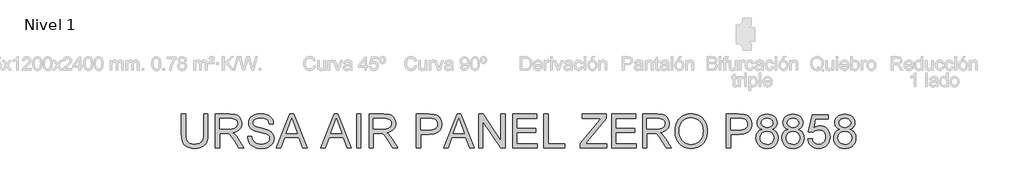
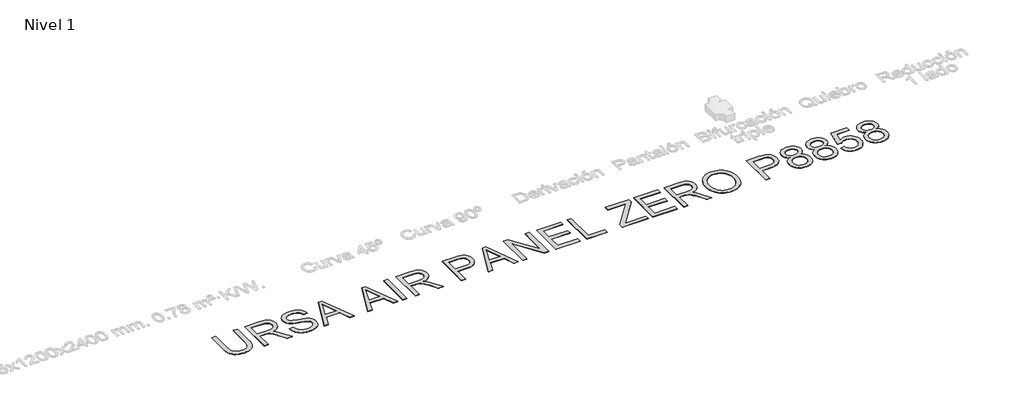
# One storey, part 4 of 8: 1 proxy.
"""IFC4 building model written with IfcOpenShell, lengths in millimetres."""

from ifc_helpers import new_model, si_unit, origin, origin_with_axes, place, context, project, spatial, polyline, outline, extrude, element, save

model = new_model("IFC4")

# Units and contexts
model_context = context("Model", 3, world=origin())
ifc_project = project(units=[si_unit("LENGTHUNIT", "METRE", prefix="MILLI")], contexts=[model_context])

# Site, building, storey
site = spatial("IfcSite", under=ifc_project)
building = spatial("IfcBuilding", under=site)
storey = spatial("IfcBuildingStorey", under=building, Name="Nivel 1", Elevation=0.0)

# Proxy
placement = place(None, origin())
element("IfcBuildingElementProxy", 1, Name="Texto de modelo 2", ObjectType="Texto de modelo 2", at=placement, inside=storey, context=model_context, shape_type="SweptSolid", body=[
    extrude(outline(polyline([(-16129.8914984, -5621.7490961), (-16004.3211107, -5621.7490961), (-16004.3211107, -6201.2858659), (-16006.4517606, -6273.0458476), (-16012.8437102, -6337.0036653), (-16023.4969597, -6393.159319), (-16038.4115089, -6441.5128087), (-16058.8749449, -6483.8958802), (-16086.1748546, -6522.1402793), (-16120.3112381, -6556.246006), (-16161.2840953, -6586.2130602), (-16209.1394115, -6610.6235634), (-16263.9231719, -6628.0596371), (-16325.6353766, -6638.5212813), (-16394.2760256, -6642.0084961), (-16461.2228845, -6638.9734696), (-16521.7777937, -6629.8683902), (-16575.9407533, -6614.6932579), (-16623.7117632, -6593.4480727), (-16665.0984877, -6566.4470671), (-16700.1085909, -6534.0044737), (-16728.7420728, -6496.1202924), (-16750.9989335, -6452.7945232), (-16767.6839149, -6402.5403099), (-16779.6017587, -6343.8707958), (-16786.752465, -6276.7859812), (-16789.1360337, -6201.2858659), (-16789.1360337, -5621.7490961), (-16663.565646, -5621.7490961), (-16663.565646, -6196.8712819), (-16662.017476, -6257.5794753), (-16657.3729658, -6309.7190839), (-16649.6321155, -6353.2901078), (-16638.794925, -6388.2925467), (-16624.1869441, -6417.2555897), (-16605.1337225, -6442.7084252), (-16581.63526, -6464.6510534), (-16553.6915568, -6483.0834742), (-16521.8391074, -6497.6761266), (-16486.6144063, -6508.0994498), (-16448.0174537, -6514.3534438), (-16406.0482494, -6516.4381084), (-16336.8404491, -6512.3147644), (-16278.3318834, -6499.9447323), (-16230.5225525, -6479.3280121), (-16210.6301, -6465.927144), (-16193.4124562, -6450.4646039), (-16178.5247317, -6432.0705042), (-16165.6220371, -6409.8749571), (-16145.7717378, -6354.0795212), (-16133.8615582, -6283.0782961), (-16129.8914984, -6196.8712819), (-16129.8914984, -5621.7490961)])), origin_with_axes(), (0.0, 0.0, 1.0), 10.0),
    extrude(outline(polyline([(-15784.5729322, -6626.3121976), (-15784.5729322, -5621.7490961), (-15351.6984512, -5621.7490961), (-15289.5647151, -5623.4428862), (-15235.3557702, -5628.5242562), (-15189.0716167, -5636.9932063), (-15150.7122545, -5648.8497364), (-15118.047399, -5665.0058874), (-15088.8467657, -5686.3737), (-15063.1103544, -5712.9531741), (-15040.8381653, -5744.7443099), (-15022.865597, -5780.0379888), (-15010.0280482, -5817.1250924), (-15002.3255189, -5856.0056208), (-14999.7580092, -5896.6795739), (-15004.0116447, -5948.2750237), (-15016.7725514, -5995.6398306), (-15038.0407293, -6038.7739945), (-15067.8161783, -6077.6775155), (-15106.4821088, -6111.1087918), (-15154.4217313, -6137.8262217), (-15211.6350458, -6157.8298052), (-15278.1220522, -6171.1195423), (-15236.7353277, -6198.1588689), (-15206.7529451, -6224.8303136), (-15155.3107795, -6285.8374111), (-15104.9722598, -6354.0795212), (-14937.4633247, -6626.3121976), (-15083.3898494, -6626.3121976), (-15214.110585, -6418.0909884), (-15266.411142, -6338.6284774), (-15308.5336305, -6280.2578675), (-15343.6357042, -6240.0667595), (-15374.8750169, -6215.1427544), (-15404.4588607, -6200.519445), (-15434.5945275, -6191.2304247), (-15507.4351625, -6186.8158407), (-15659.0025445, -6186.8158407), (-15659.0025445, -6626.3121976), (-15784.5729322, -6626.3121976)]), holes=[polyline([(-15659.0025445, -6061.245453), (-15377.9407002, -6061.245453), (-15297.2212591, -6056.8002123), (-15234.5893494, -6043.4644899), (-15209.4047612, -6033.2404362), (-15187.4391404, -6020.3492379), (-15168.692487, -6004.7908952), (-15153.1648012, -5986.565408), (-15140.9863743, -5966.5694887), (-15132.2874979, -5945.6998497), (-15127.0681721, -5923.956491), (-15125.3283969, -5901.3394125), (-15128.646999, -5869.22638), (-15138.6028055, -5840.0870603), (-15155.1958163, -5813.9214534), (-15178.4260315, -5790.7295593), (-15208.8299456, -5771.7376513), (-15246.9440531, -5758.1720027), (-15292.7683541, -5750.0326135), (-15346.3028486, -5747.3194838), (-15659.0025445, -5747.3194838), (-15659.0025445, -6061.245453)])]), origin_with_axes(), (0.0, 0.0, 1.0), 10.0),
    extrude(outline(polyline([(-14827.0987261, -6280.9936315), (-14701.5283384, -6280.9936315), (-14695.7801822, -6317.5442406), (-14687.1196269, -6350.6766127), (-14675.5466725, -6380.3907481), (-14661.0613189, -6406.6866465), (-14642.9278023, -6430.0931385), (-14620.4103585, -6451.1390543), (-14593.5089876, -6469.8243939), (-14562.2236896, -6486.1491575), (-14527.7040957, -6499.4005735), (-14491.0998372, -6508.8658707), (-14452.410914, -6514.545049), (-14411.6373262, -6516.4381084), (-14341.6784335, -6510.7052806), (-14309.9639398, -6503.5392459), (-14280.4260813, -6493.5067974), (-14253.7929577, -6480.9681527), (-14230.7926688, -6466.2835297), (-14211.4252145, -6449.4529284), (-14195.690595, -6430.4763489), (-14183.5121682, -6410.1738613), (-14174.8132918, -6389.3655359), (-14169.593966, -6368.0513728), (-14167.8541907, -6346.231372), (-14173.0658523, -6304.200854), (-14188.7008371, -6267.872507), (-14201.8526185, -6251.7546771), (-14220.4613161, -6236.8784489), (-14244.5269299, -6223.2438225), (-14274.04946, -6210.8507977), (-14340.3601896, -6191.1384542), (-14456.8868116, -6162.903511), (-14576.9083125, -6131.173689), (-14620.7092626, -6115.8835935), (-14653.703679, -6100.9767085), (-14687.2345901, -6080.973125), (-14716.2129614, -6058.7315927), (-14740.638793, -6034.2521116), (-14760.512085, -6007.5346817), (-14775.9094793, -5978.8552145), (-14786.9076181, -5948.4896215), (-14793.5065014, -5916.4379027), (-14795.7061292, -5882.700058), (-14792.9853353, -5845.3063861), (-14784.8229535, -5809.1543158), (-14771.2189839, -5774.2438473), (-14752.1734264, -5740.5749806), (-14727.9008789, -5709.5196088), (-14698.6159393, -5682.4496253), (-14664.3186074, -5659.3650301), (-14625.0088834, -5640.2658232), (-14582.0126752, -5625.2976245), (-14536.6558909, -5614.6060541), (-14488.9385305, -5608.1911118), (-14438.8605939, -5606.0527977), (-14384.2301176, -5608.2907465), (-14332.9105792, -5615.0045929), (-14284.9019789, -5626.1943369), (-14240.2043165, -5641.8599785), (-14199.6453265, -5661.863562), (-14164.0527435, -5686.0671316), (-14133.4265674, -5714.4706873), (-14107.7667982, -5747.0742292), (-14087.2727054, -5782.9273953), (-14072.1435583, -5821.0798239), (-14062.379357, -5861.5315149), (-14057.9801015, -5904.2824684), (-14183.5504892, -5904.2824684), (-14191.9504614, -5864.2139878), (-14206.6044276, -5829.3571687), (-14227.5123876, -5799.7120113), (-14254.6743416, -5775.2785155), (-14288.5961272, -5756.1793085), (-14329.7835823, -5742.5370179), (-14378.2367067, -5734.3516435), (-14433.9555006, -5731.6231854), (-14491.4523908, -5734.3209867), (-14540.5799655, -5742.4143906), (-14581.3382249, -5755.903397), (-14613.7271689, -5774.7880061), (-14638.4059194, -5797.4893909), (-14656.0335983, -5822.4287245), (-14666.6102057, -5849.6060069), (-14670.1357415, -5879.0212381), (-14667.6372096, -5904.3284537), (-14660.141614, -5927.2750931), (-14647.6489545, -5947.8611564), (-14630.1592313, -5966.0866436), (-14602.6293954, -5983.3464406), (-14559.2806336, -6000.7901785), (-14500.1129461, -6018.4178574), (-14425.1263327, -6036.2294774), (-14286.6800752, -6069.8906799), (-14237.9663677, -6085.1117975), (-14202.9256076, -6099.2599259), (-14164.4282897, -6120.7043805), (-14131.3419027, -6144.8159796), (-14103.6664468, -6171.5947232), (-14081.4019219, -6201.0406112), (-14064.2877449, -6233.0003595), (-14052.0633328, -6267.320684), (-14044.7286855, -6304.0015846), (-14042.2838031, -6343.0430613), (-14045.0965675, -6382.3221285), (-14053.5348607, -6420.4515645), (-14067.5986829, -6457.4313692), (-14087.2880338, -6493.2615427), (-14112.2580242, -6526.5548633), (-14142.1637647, -6555.9241092), (-14177.0052554, -6581.3692806), (-14216.7824961, -6602.8903773), (-14260.3381915, -6620.0045543), (-14306.5150461, -6632.2289664), (-14355.3130599, -6639.5636137), (-14406.7322329, -6642.0084961), (-14470.9659621, -6639.3720085), (-14529.7581035, -6631.4625456), (-14583.108657, -6618.2801074), (-14631.0176227, -6599.824694), (-14673.7762404, -6576.0656485), (-14711.6757501, -6546.972314), (-14744.7161518, -6512.5446906), (-14772.8974455, -6472.7827783), (-14795.5988303, -6428.974164), (-14812.1995053, -6382.4064348), (-14822.6994706, -6333.0795906), (-14827.0987261, -6280.9936315)])), origin_with_axes(), (0.0, 0.0, 1.0), 10.0),
    extrude(outline(polyline([(-13970.914696, -6626.3121976), (-13569.9233213, -5621.7490961), (-13462.992288, -5621.7490961), (-13062.0009132, -6626.3121976), (-13194.6836862, -6626.3121976), (-13309.7081233, -6312.3862284), (-13723.4527406, -6312.3862284), (-13838.2319231, -6626.3121976), (-13970.914696, -6626.3121976)]), holes=[polyline([(-13677.3448638, -6186.8158407), (-13355.5707454, -6186.8158407), (-13446.0697162, -5939.8443946), (-13516.4578046, -5747.3194838), (-13578.9977438, -5918.2619842), (-13677.3448638, -6186.8158407)])]), origin_with_axes(), (0.0, 0.0, 1.0), 10.0),
    extrude(outline(polyline([(-12652.4256253, -6626.3121976), (-12251.4342505, -5621.7490961), (-12144.5032173, -5621.7490961), (-11743.5118425, -6626.3121976), (-11876.1946155, -6626.3121976), (-11991.2190526, -6312.3862284), (-12404.9636699, -6312.3862284), (-12519.7428524, -6626.3121976), (-12652.4256253, -6626.3121976)]), holes=[polyline([(-12358.8557931, -6186.8158407), (-12037.0816747, -6186.8158407), (-12127.5806455, -5939.8443946), (-12197.9687339, -5747.3194838), (-12260.5086731, -5918.2619842), (-12358.8557931, -6186.8158407)])]), origin_with_axes(), (0.0, 0.0, 1.0), 10.0),
    extrude(outline(polyline([(-11593.6612432, -6626.3121976), (-11593.6612432, -5621.7490961), (-11468.0908555, -5621.7490961), (-11468.0908555, -6626.3121976), (-11593.6612432, -6626.3121976)])), origin_with_axes(), (0.0, 0.0, 1.0), 10.0),
    extrude(outline(polyline([(-11216.9500801, -6626.3121976), (-11216.9500801, -5621.7490961), (-10784.0755991, -5621.7490961), (-10721.941863, -5623.4428862), (-10667.7329181, -5628.5242562), (-10621.4487646, -5636.9932063), (-10583.0894024, -5648.8497364), (-10550.4245469, -5665.0058874), (-10521.2239136, -5686.3737), (-10495.4875023, -5712.9531741), (-10473.2153132, -5744.7443099), (-10455.2427449, -5780.0379888), (-10442.4051961, -5817.1250924), (-10434.7026668, -5856.0056208), (-10432.1351571, -5896.6795739), (-10436.3887926, -5948.2750237), (-10449.1496993, -5995.6398306), (-10470.4178772, -6038.7739945), (-10500.1933262, -6077.6775155), (-10538.8592567, -6111.1087918), (-10586.7988792, -6137.8262217), (-10644.0121937, -6157.8298052), (-10710.4992001, -6171.1195423), (-10669.1124756, -6198.1588689), (-10639.130093, -6224.8303136), (-10587.6879273, -6285.8374111), (-10537.3494077, -6354.0795212), (-10369.8404725, -6626.3121976), (-10515.7669973, -6626.3121976), (-10646.4877329, -6418.0909884), (-10698.7882899, -6338.6284774), (-10740.9107783, -6280.2578675), (-10776.012852, -6240.0667595), (-10807.2521648, -6215.1427544), (-10836.8360086, -6200.519445), (-10866.9716754, -6191.2304247), (-10939.8123104, -6186.8158407), (-11091.3796924, -6186.8158407), (-11091.3796924, -6626.3121976), (-11216.9500801, -6626.3121976)]), holes=[polyline([(-11091.3796924, -6061.245453), (-10810.3178481, -6061.245453), (-10729.598407, -6056.8002123), (-10666.9664973, -6043.4644899), (-10641.7819091, -6033.2404362), (-10619.8162883, -6020.3492379), (-10601.0696349, -6004.7908952), (-10585.541949, -5986.565408), (-10573.3635222, -5966.5694887), (-10564.6646458, -5945.6998497), (-10559.44532, -5923.956491), (-10557.7055447, -5901.3394125), (-10561.0241469, -5869.22638), (-10570.9799534, -5840.0870603), (-10587.5729642, -5813.9214534), (-10610.8031794, -5790.7295593), (-10641.2070934, -5771.7376513), (-10679.321201, -5758.1720027), (-10725.145502, -5750.0326135), (-10778.6799965, -5747.3194838), (-11091.3796924, -5747.3194838), (-11091.3796924, -6061.245453)])]), origin_with_axes(), (0.0, 0.0, 1.0), 10.0),
    extrude(outline(polyline([(-9819.9795171, -6626.3121976), (-9819.9795171, -5621.7490961), (-9447.682938, -5621.7490961), (-9360.9854144, -5624.1403291), (-9297.5870839, -5631.314028), (-9262.6459586, -5638.8479447), (-9230.6632176, -5649.1869616), (-9201.6388611, -5662.3310787), (-9175.5728889, -5678.2802961), (-9152.1893895, -5697.3641746), (-9131.2124516, -5719.9122752), (-9112.6420751, -5745.9245979), (-9096.4782599, -5775.4011428), (-9083.3877922, -5807.3685553), (-9074.0374582, -5840.8534811), (-9068.4272578, -5875.8559201), (-9066.557191, -5912.3758723), (-9071.6079042, -5974.0420918), (-9086.7600439, -6030.7725611), (-9112.01361, -6082.5672803), (-9147.3686026, -6129.4262495), (-9169.6043867, -6150.2345748), (-9195.9060333, -6168.2684568), (-9226.2735424, -6183.5278954), (-9260.7069139, -6196.0128906), (-9299.2061479, -6205.7234424), (-9341.7712444, -6212.6595509), (-9439.0990247, -6218.2084376), (-9694.4091294, -6218.2084376), (-9694.4091294, -6626.3121976), (-9819.9795171, -6626.3121976)]), holes=[polyline([(-9694.4091294, -6092.63805), (-9431.7413848, -6092.63805), (-9371.347424, -6089.7563077), (-9320.3957676, -6081.1110808), (-9278.8864158, -6066.7023693), (-9246.8193686, -6046.5301732), (-9222.8917105, -6021.1309871), (-9205.8005261, -5991.0413056), (-9195.5458155, -5956.2611287), (-9192.1275786, -5916.7904563), (-9194.1432654, -5887.482524), (-9200.1903257, -5860.3818837), (-9210.2687595, -5835.4885353), (-9224.3785669, -5812.802479), (-9241.7686554, -5793.0594786), (-9261.6879326, -5776.9952981), (-9284.1363985, -5764.6099376), (-9309.1140531, -5755.903397), (-9357.5518491, -5749.4654621), (-9434.6844408, -5747.3194838), (-9694.4091294, -5747.3194838), (-9694.4091294, -6092.63805)])]), origin_with_axes(), (0.0, 0.0, 1.0), 10.0),
    extrude(outline(polyline([(-9010.8843824, -6626.3121976), (-8609.8930076, -5621.7490961), (-8502.9619743, -5621.7490961), (-8101.9705996, -6626.3121976), (-8234.6533725, -6626.3121976), (-8349.6778097, -6312.3862284), (-8763.4224269, -6312.3862284), (-8878.2016094, -6626.3121976), (-9010.8843824, -6626.3121976)]), holes=[polyline([(-8717.3145502, -6186.8158407), (-8395.5404318, -6186.8158407), (-8486.0394026, -5939.8443946), (-8556.427491, -5747.3194838), (-8618.9674302, -5918.2619842), (-8717.3145502, -6186.8158407)])]), origin_with_axes(), (0.0, 0.0, 1.0), 10.0),
    extrude(outline(polyline([(-7967.8162987, -6626.3121976), (-7967.8162987, -5621.7490961), (-7833.4167431, -5621.7490961), (-7308.5717633, -6417.600479), (-7308.5717633, -5621.7490961), (-7183.0013757, -5621.7490961), (-7183.0013757, -6626.3121976), (-7317.4009312, -6626.3121976), (-7842.245911, -5830.2155601), (-7842.245911, -6626.3121976), (-7967.8162987, -6626.3121976)])), origin_with_axes(), (0.0, 0.0, 1.0), 10.0),
    extrude(outline(polyline([(-6963.2531972, -6626.3121976), (-6963.2531972, -5621.7490961), (-6241.223468, -5621.7490961), (-6241.223468, -5747.3194838), (-6837.6828095, -5747.3194838), (-6837.6828095, -6045.5491546), (-6272.6160649, -6045.5491546), (-6272.6160649, -6171.1195423), (-6837.6828095, -6171.1195423), (-6837.6828095, -6500.7418099), (-6225.5271695, -6500.7418099), (-6225.5271695, -6626.3121976), (-6963.2531972, -6626.3121976)])), origin_with_axes(), (0.0, 0.0, 1.0), 10.0),
    extrude(outline(polyline([(-6037.171588, -6626.3121976), (-6037.171588, -5621.7490961), (-5911.6012003, -5621.7490961), (-5911.6012003, -6500.7418099), (-5409.3196496, -6500.7418099), (-5409.3196496, -6626.3121976), (-6037.171588, -6626.3121976)])), origin_with_axes(), (0.0, 0.0, 1.0), 10.0),
    extrude(outline(polyline([(-4954.1269942, -6626.3121976), (-4954.1269942, -6496.0819713), (-4440.3184743, -5867.0037596), (-4342.7071182, -5747.3194838), (-4891.3418004, -5747.3194838), (-4891.3418004, -5621.7490961), (-4185.0083696, -5621.7490961), (-4185.0083696, -5747.3194838), (-4747.3773129, -6435.7493241), (-4800.3523202, -6500.7418099), (-4169.3120712, -6500.7418099), (-4169.3120712, -6626.3121976), (-4954.1269942, -6626.3121976)])), origin_with_axes(), (0.0, 0.0, 1.0), 10.0),
    extrude(outline(polyline([(-4028.045385, -6626.3121976), (-4028.045385, -5621.7490961), (-3306.0156558, -5621.7490961), (-3306.0156558, -5747.3194838), (-3902.4749973, -5747.3194838), (-3902.4749973, -6045.5491546), (-3337.4082527, -6045.5491546), (-3337.4082527, -6171.1195423), (-3902.4749973, -6171.1195423), (-3902.4749973, -6500.7418099), (-3290.3193574, -6500.7418099), (-3290.3193574, -6626.3121976), (-4028.045385, -6626.3121976)])), origin_with_axes(), (0.0, 0.0, 1.0), 10.0),
    extrude(outline(polyline([(-3101.9637758, -6626.3121976), (-3101.9637758, -5621.7490961), (-2669.0892948, -5621.7490961), (-2606.9555587, -5623.4428862), (-2552.7466139, -5628.5242562), (-2506.4624603, -5636.9932063), (-2468.1030981, -5648.8497364), (-2435.4382426, -5665.0058874), (-2406.2376093, -5686.3737), (-2380.501198, -5712.9531741), (-2358.2290089, -5744.7443099), (-2340.2564406, -5780.0379888), (-2327.4188918, -5817.1250924), (-2319.7163625, -5856.0056208), (-2317.1488528, -5896.6795739), (-2321.4024884, -5948.2750237), (-2334.1633951, -5995.6398306), (-2355.4315729, -6038.7739945), (-2385.2070219, -6077.6775155), (-2423.8729524, -6111.1087918), (-2471.8125749, -6137.8262217), (-2529.0258894, -6157.8298052), (-2595.5128958, -6171.1195423), (-2554.1261713, -6198.1588689), (-2524.1437887, -6224.8303136), (-2472.7016231, -6285.8374111), (-2422.3631034, -6354.0795212), (-2254.8541683, -6626.3121976), (-2400.780693, -6626.3121976), (-2531.5014286, -6418.0909884), (-2583.8019856, -6338.6284774), (-2625.9244741, -6280.2578675), (-2661.0265478, -6240.0667595), (-2692.2658605, -6215.1427544), (-2721.8497043, -6200.519445), (-2751.9853711, -6191.2304247), (-2824.8260061, -6186.8158407), (-2976.3933881, -6186.8158407), (-2976.3933881, -6626.3121976), (-3101.9637758, -6626.3121976)]), holes=[polyline([(-2976.3933881, -6061.245453), (-2695.3315438, -6061.245453), (-2614.6121027, -6056.8002123), (-2551.980193, -6043.4644899), (-2526.7956048, -6033.2404362), (-2504.829984, -6020.3492379), (-2486.0833307, -6004.7908952), (-2470.5556448, -5986.565408), (-2458.3772179, -5966.5694887), (-2449.6783415, -5945.6998497), (-2444.4590157, -5923.956491), (-2442.7192405, -5901.3394125), (-2446.0378426, -5869.22638), (-2455.9936491, -5840.0870603), (-2472.58666, -5813.9214534), (-2495.8168751, -5790.7295593), (-2526.2207892, -5771.7376513), (-2564.3348967, -5758.1720027), (-2610.1591977, -5750.0326135), (-2663.6936922, -5747.3194838), (-2976.3933881, -5747.3194838), (-2976.3933881, -6061.245453)])]), origin_with_axes(), (0.0, 0.0, 1.0), 10.0),
    extrude(outline(polyline([(-2144.4895697, -6137.2743987), (-2142.3972409, -6076.6696721), (-2136.1202543, -6019.4448613), (-2125.6586101, -5965.5999664), (-2111.0123082, -5915.1349873), (-2092.1813485, -5868.049924), (-2069.1657312, -5824.3447766), (-2041.9654562, -5784.0195449), (-2010.5805235, -5747.0742292), (-1975.8884849, -5714.0223312), (-1938.7668923, -5685.3773529), (-1899.2157457, -5661.1392943), (-1857.2350451, -5641.3081555), (-1812.8247905, -5625.8839365), (-1765.9849819, -5614.8666371), (-1716.7156193, -5608.2562575), (-1665.0167027, -5606.0527977), (-1597.4337145, -5610.1914701), (-1533.2536347, -5622.6074875), (-1472.4764634, -5643.3008497), (-1415.1022006, -5672.2715568), (-1362.74033, -5708.6458891), (-1317.0003352, -5751.5501268), (-1277.8822164, -5800.9842699), (-1245.3859735, -5856.9483184), (-1219.8488317, -5918.1700137), (-1201.6080161, -5983.3770974), (-1190.6635267, -6052.5695693), (-1187.0153636, -6125.7474295), (-1190.8551319, -6199.89098), (-1202.3744369, -6270.0184853), (-1221.5732785, -6336.1299455), (-1248.4516568, -6398.2253606), (-1282.3734424, -6454.66459), (-1322.7025062, -6503.8074932), (-1369.438848, -6545.6540702), (-1422.5824678, -6580.2043209), (-1480.041037, -6607.2436475), (-1539.7222265, -6626.5574523), (-1601.6260364, -6638.1457351), (-1665.7524667, -6642.0084961), (-1734.5157429, -6637.7395321), (-1799.5388856, -6624.9326401), (-1860.8218946, -6603.5878202), (-1918.36477, -6573.7050723), (-1970.665327, -6536.4416919), (-2016.2213807, -6492.9549744), (-2055.0329312, -6443.2449198), (-2087.0999785, -6387.3115281), (-2112.2079246, -6327.4004123), (-2130.1421719, -6265.7571855), (-2140.9027203, -6202.3818476), (-2144.4895697, -6137.2743987)]), holes=[polyline([(-2018.919182, -6138.500672), (-2017.3499354, -6181.2937787), (-2012.6421955, -6221.7493019), (-2004.7959623, -6259.8672415), (-1993.8112359, -6295.6475976), (-1979.6880161, -6329.0903703), (-1962.4263031, -6360.1955594), (-1942.0260969, -6388.963165), (-1918.4873973, -6415.3931871), (-1892.5804575, -6439.0755905), (-1865.0755302, -6459.6003401), (-1835.9726155, -6476.967436), (-1805.2717133, -6491.1768781), (-1772.9728238, -6502.2286663), (-1739.0759468, -6510.1228008), (-1703.5810824, -6514.8592815), (-1666.4882306, -6516.4381084), (-1628.7170964, -6514.8439531), (-1592.6589127, -6510.0614872), (-1558.3136796, -6502.0907106), (-1525.681397, -6490.9316234), (-1494.7620649, -6476.5842256), (-1465.5556834, -6459.0485172), (-1438.0622524, -6438.3244981), (-1412.281772, -6414.4121684), (-1388.9155171, -6387.5682791), (-1368.6647629, -6358.0495811), (-1351.5295094, -6325.8560744), (-1337.5097565, -6290.987759), (-1326.6055042, -6253.444635), (-1318.8167526, -6213.2267023), (-1314.1435016, -6170.3339609), (-1312.5857513, -6124.7664109), (-1315.2528958, -6067.3001775), (-1323.2543291, -6013.6047347), (-1336.5900515, -5963.6800822), (-1355.2600627, -5917.5262203), (-1379.0574293, -5875.7486212), (-1407.7752175, -5838.9527575), (-1441.4134275, -5807.1386291), (-1479.9720591, -5780.3062361), (-1522.2554959, -5759.0074014), (-1567.0681214, -5743.793948), (-1614.4099357, -5734.665876), (-1664.2809387, -5731.6231854), (-1734.3471303, -5737.4863047), (-1799.3549446, -5755.0756626), (-1829.9619601, -5768.267681), (-1859.3043814, -5784.391259), (-1914.1954407, -5825.4330941), (-1938.7400676, -5850.8456926), (-1960.0120775, -5880.1785335), (-1978.0114706, -5913.431617), (-1992.7382467, -5950.604943), (-2004.1924059, -5991.6985115), (-2012.3739482, -6036.7123225), (-2017.2828736, -6085.646376), (-2018.919182, -6138.500672)])]), origin_with_axes(), (0.0, 0.0, 1.0), 10.0),
    extrude(outline(polyline([(-621.948619, -6626.3121976), (-621.948619, -5621.7490961), (-249.6520399, -5621.7490961), (-162.9545164, -5624.1403291), (-99.5561859, -5631.314028), (-64.6150605, -5638.8479447), (-32.6323196, -5649.1869616), (-3.607963, -5662.3310787), (22.4580092, -5678.2802961), (45.8415085, -5697.3641746), (66.8184465, -5719.9122752), (85.388823, -5745.9245979), (101.5526382, -5775.4011428), (114.6431058, -5807.3685553), (123.9934399, -5840.8534811), (129.6036403, -5875.8559201), (131.4737071, -5912.3758723), (126.4229939, -5974.0420918), (111.2708542, -6030.7725611), (86.0172881, -6082.5672803), (50.6622955, -6129.4262495), (28.4265114, -6150.2345748), (2.1248648, -6168.2684568), (-28.2426443, -6183.5278954), (-62.6760158, -6196.0128906), (-101.1752498, -6205.7234424), (-143.7403463, -6212.6595509), (-241.0681267, -6218.2084376), (-496.3782313, -6218.2084376), (-496.3782313, -6626.3121976), (-621.948619, -6626.3121976)]), holes=[polyline([(-496.3782313, -6092.63805), (-233.7104868, -6092.63805), (-173.3165259, -6089.7563077), (-122.3648696, -6081.1110808), (-80.8555178, -6066.7023693), (-48.7884705, -6046.5301732), (-24.8608124, -6021.1309871), (-7.7696281, -5991.0413056), (2.4850826, -5956.2611287), (5.9033194, -5916.7904563), (3.8876327, -5887.482524), (-2.1594276, -5860.3818837), (-12.2378615, -5835.4885353), (-26.3476688, -5812.802479), (-43.7377573, -5793.0594786), (-63.6570345, -5776.9952981), (-86.1055004, -5764.6099376), (-111.083155, -5755.903397), (-159.5209511, -5749.4654621), (-236.6535427, -5747.3194838), (-496.3782313, -5747.3194838), (-496.3782313, -6092.63805)])]), origin_with_axes(), (0.0, 0.0, 1.0), 10.0),
    extrude(outline(polyline([(440.0040737, -6073.0176769), (403.8826603, -6057.9345151), (372.7736391, -6039.9082973), (346.6770101, -6018.9390236), (325.5927732, -5995.0266939), (309.3369876, -5968.4012345), (297.7257121, -5939.2925716), (290.7589468, -5907.7007053), (288.4366917, -5873.6256355), (293.4950692, -5822.4133961), (308.6702015, -5775.4624565), (333.9620886, -5732.7728166), (369.3707307, -5694.3444765), (413.1946733, -5662.5839976), (463.7324624, -5639.8979412), (520.9840979, -5626.2863074), (584.9495798, -5621.7490961), (649.2216301, -5626.3936063), (706.9024612, -5640.3271369), (757.9920733, -5663.5496878), (802.4904663, -5696.0612592), (838.5429018, -5735.2406916), (864.2946415, -5778.4668261), (879.7456853, -5825.7396625), (884.8960332, -5877.0592008), (882.604435, -5909.9309899), (875.7296402, -5940.6108155), (864.2716489, -5969.0986775), (848.2304611, -5995.3945759), (827.5294346, -6019.1459572), (802.0919275, -6040.0002678), (771.9179397, -6057.9575077), (737.0074712, -6073.0176769), (778.2792325, -6090.5763779), (814.293347, -6112.8409029), (845.0498146, -6139.8112516), (870.5486354, -6171.4874243), (890.5598831, -6207.1643136), (904.8536315, -6246.1368124), (913.4298805, -6288.4049209), (916.2886302, -6333.9686388), (910.6171161, -6396.6005485), (893.6025738, -6454.0207966), (865.2450033, -6506.229383), (825.5444047, -6553.2263079), (801.9616359, -6574.0346333), (776.5854425, -6592.0685152), (749.4158243, -6607.3279538), (720.4527814, -6619.812949), (657.1464214, -6636.4596093), (586.6663625, -6642.0084961), (516.1863036, -6636.4366167), (452.8799436, -6619.7209785), (423.9169007, -6607.1842499), (396.7472825, -6591.8615816), (371.371089, -6573.7529736), (347.7883203, -6552.8584259), (308.0877216, -6505.5319401), (279.7301512, -6452.7025527), (262.7156089, -6394.3702639), (257.0440948, -6330.5350735), (260.0178076, -6282.8943551), (268.938946, -6239.3003387), (283.80751, -6199.7530242), (304.6234995, -6164.2524117), (330.9270622, -6133.4422946), (362.2583454, -6107.9664664), (398.6173493, -6087.8249272), (440.0040737, -6073.0176769)]), holes=[polyline([(414.0070794, -5877.3044554), (416.789187, -5906.0912216), (425.1355098, -5932.1188727), (439.0460477, -5955.3874089), (458.5208008, -5975.8968302), (483.3145145, -5992.6354609), (513.1819339, -6004.5916258), (548.1230593, -6011.7653247), (588.1378905, -6014.1565577), (627.1640388, -6011.7806531), (661.3464075, -6004.6529394), (690.6849966, -5992.7734167), (715.1798061, -5976.1420848), (734.4936109, -5956.0618593), (748.2891857, -5933.8356554), (756.5665306, -5909.4634732), (759.3256455, -5882.9453127), (756.4745601, -5855.3924841), (747.9213037, -5830.1235896), (733.6658764, -5807.1386291), (713.7082781, -5786.4376026), (688.6616456, -5769.3234257), (659.1391155, -5757.0990135), (625.1406878, -5749.7643662), (586.6663625, -5747.3194838), (547.893133, -5749.7107168), (513.7337569, -5756.8844157), (484.1882342, -5768.8405805), (459.2565648, -5785.5792113), (439.459915, -5805.6594369), (425.3194508, -5827.6403861), (416.8351722, -5851.522059), (414.0070794, -5877.3044554)]), polyline([(382.6144825, -6326.1204896), (387.8568009, -6374.1597468), (403.5837562, -6420.6661623), (416.0840798, -6442.2409085), (432.615777, -6461.2251523), (453.1788477, -6477.6188937), (477.7732919, -6491.4221327), (531.8519452, -6510.1841145), (587.6473811, -6516.4381084), (633.0501507, -6513.1501631), (673.1186313, -6503.2863271), (707.8528231, -6486.8466004), (737.2527258, -6463.8309831), (760.6438894, -6435.7416599), (777.3518633, -6404.0808157), (787.3766477, -6368.8484505), (790.7182425, -6330.0445642), (787.2693488, -6290.619877), (776.9226677, -6254.7513825), (759.6781991, -6222.4390806), (735.5359432, -6193.6829713), (705.3389628, -6170.0772099), (669.9303207, -6153.2159518), (629.3100171, -6143.099197), (583.4780519, -6139.7269453), (538.7420684, -6143.0532117), (499.2024181, -6153.0320108), (464.859101, -6169.6633427), (435.7121171, -6192.9472073), (412.481902, -6221.2281357), (395.8888911, -6252.8506589), (385.9330847, -6287.8147768), (382.6144825, -6326.1204896)])]), origin_with_axes(), (0.0, 0.0, 1.0), 10.0),
    extrude(outline(polyline([(1209.1226983, -6073.0176769), (1173.0012849, -6057.9345151), (1141.8922637, -6039.9082973), (1115.7956347, -6018.9390236), (1094.7113978, -5995.0266939), (1078.4556122, -5968.4012345), (1066.8443367, -5939.2925716), (1059.8775714, -5907.7007053), (1057.5553163, -5873.6256355), (1062.6136937, -5822.4133961), (1077.788826, -5775.4624565), (1103.0807132, -5732.7728166), (1138.4893552, -5694.3444765), (1182.3132979, -5662.5839976), (1232.851087, -5639.8979412), (1290.1027225, -5626.2863074), (1354.0682044, -5621.7490961), (1418.3402547, -5626.3936063), (1476.0210858, -5640.3271369), (1527.1106979, -5663.5496878), (1571.6090909, -5696.0612592), (1607.6615264, -5735.2406916), (1633.4132661, -5778.4668261), (1648.8643099, -5825.7396625), (1654.0146578, -5877.0592008), (1651.7230596, -5909.9309899), (1644.8482648, -5940.6108155), (1633.3902735, -5969.0986775), (1617.3490856, -5995.3945759), (1596.6480592, -6019.1459572), (1571.2105521, -6040.0002678), (1541.0365643, -6057.9575077), (1506.1260958, -6073.0176769), (1547.3978571, -6090.5763779), (1583.4119716, -6112.8409029), (1614.1684392, -6139.8112516), (1639.66726, -6171.4874243), (1659.6785077, -6207.1643136), (1673.9722561, -6246.1368124), (1682.5485051, -6288.4049209), (1685.4072547, -6333.9686388), (1679.7357406, -6396.6005485), (1662.7211984, -6454.0207966), (1634.3636279, -6506.229383), (1594.6630293, -6553.2263079), (1571.0802605, -6574.0346333), (1545.7040671, -6592.0685152), (1518.5344489, -6607.3279538), (1489.571406, -6619.812949), (1426.265046, -6636.4596093), (1355.7849871, -6642.0084961), (1285.3049282, -6636.4366167), (1221.9985681, -6619.7209785), (1193.0355252, -6607.1842499), (1165.8659071, -6591.8615816), (1140.4897136, -6573.7529736), (1116.9069449, -6552.8584259), (1077.2063462, -6505.5319401), (1048.8487758, -6452.7025527), (1031.8342335, -6394.3702639), (1026.1627194, -6330.5350735), (1029.1364322, -6282.8943551), (1038.0575706, -6239.3003387), (1052.9261345, -6199.7530242), (1073.7421241, -6164.2524117), (1100.0456867, -6133.4422946), (1131.37697, -6107.9664664), (1167.7359739, -6087.8249272), (1209.1226983, -6073.0176769)]), holes=[polyline([(1183.125704, -5877.3044554), (1185.9078116, -5906.0912216), (1194.2541343, -5932.1188727), (1208.1646723, -5955.3874089), (1227.6394254, -5975.8968302), (1252.433139, -5992.6354609), (1282.3005585, -6004.5916258), (1317.2416839, -6011.7653247), (1357.256515, -6014.1565577), (1396.2826634, -6011.7806531), (1430.4650321, -6004.6529394), (1459.8036212, -5992.7734167), (1484.2984307, -5976.1420848), (1503.6122355, -5956.0618593), (1517.4078103, -5933.8356554), (1525.6851552, -5909.4634732), (1528.4442701, -5882.9453127), (1525.5931847, -5855.3924841), (1517.0399283, -5830.1235896), (1502.784501, -5807.1386291), (1482.8269027, -5786.4376026), (1457.7802702, -5769.3234257), (1428.2577401, -5757.0990135), (1394.2593124, -5749.7643662), (1355.7849871, -5747.3194838), (1317.0117576, -5749.7107168), (1282.8523815, -5756.8844157), (1253.3068588, -5768.8405805), (1228.3751894, -5785.5792113), (1208.5785395, -5805.6594369), (1194.4380753, -5827.6403861), (1185.9537968, -5851.522059), (1183.125704, -5877.3044554)]), polyline([(1151.7331071, -6326.1204896), (1156.9754255, -6374.1597468), (1172.7023808, -6420.6661623), (1185.2027044, -6442.2409085), (1201.7344016, -6461.2251523), (1222.2974723, -6477.6188937), (1246.8919165, -6491.4221327), (1300.9705698, -6510.1841145), (1356.7660057, -6516.4381084), (1402.1687753, -6513.1501631), (1442.2372559, -6503.2863271), (1476.9714476, -6486.8466004), (1506.3713504, -6463.8309831), (1529.7625139, -6435.7416599), (1546.4704879, -6404.0808157), (1556.4952723, -6368.8484505), (1559.8368671, -6330.0445642), (1556.3879733, -6290.619877), (1546.0412922, -6254.7513825), (1528.7968237, -6222.4390806), (1504.6545678, -6193.6829713), (1474.4575873, -6170.0772099), (1439.0489453, -6153.2159518), (1398.4286417, -6143.099197), (1352.5966764, -6139.7269453), (1307.860693, -6143.0532117), (1268.3210427, -6153.0320108), (1233.9777256, -6169.6633427), (1204.8307417, -6192.9472073), (1181.6005266, -6221.2281357), (1165.0075157, -6252.8506589), (1155.0517092, -6287.8147768), (1151.7331071, -6326.1204896)])]), origin_with_axes(), (0.0, 0.0, 1.0), 10.0),
    extrude(outline(polyline([(1795.281344, -6359.4751238), (1920.8517317, -6343.7788253), (1930.2327225, -6384.1462101), (1943.90567, -6419.1639775), (1961.8705741, -6448.8321276), (1984.1274348, -6473.1506603), (2010.6302669, -6492.0889188), (2041.3330851, -6505.6162464), (2076.2358894, -6513.7326429), (2115.3386798, -6516.4381084), (2163.1633391, -6512.6749822), (2205.3471413, -6501.3856034), (2241.8900861, -6482.5699722), (2272.7921737, -6456.2280885), (2297.3636253, -6423.6628677), (2314.9146622, -6386.1772253), (2325.4452843, -6343.7711611), (2328.9554916, -6296.4446753), (2325.6675463, -6251.716356), (2315.8037103, -6211.9544437), (2299.3639836, -6177.1589384), (2276.3483663, -6147.3298399), (2246.6802163, -6123.4021818), (2210.2828914, -6106.3109974), (2167.1563916, -6096.0562868), (2117.3007171, -6092.63805), (2056.38559, -6098.0949662), (2030.2736326, -6104.9161115), (2007.0587459, -6114.465715), (1967.6647155, -6139.5430043), (1936.5480301, -6171.1195423), (1810.9776424, -6155.4232438), (1920.8517317, -5637.4453946), (2407.4369839, -5637.4453946), (2407.4369839, -5763.0157823), (2022.3871623, -5763.0157823), (1968.676391, -6039.6630427), (2012.990843, -6007.9025637), (2058.3782842, -5985.2165074), (2104.8387145, -5971.6048735), (2152.372134, -5967.0676623), (2213.5248514, -5972.6931911), (2269.6958336, -5989.5697776), (2320.8850804, -6017.6974219), (2367.0925918, -6057.0761238), (2405.3446551, -6105.299322), (2432.6675574, -6159.9604551), (2449.0612989, -6221.0595231), (2454.5258793, -6288.5965261), (2449.6054576, -6353.6503255), (2434.8441926, -6414.1669137), (2410.2420842, -6470.1462907), (2375.7991324, -6521.5884563), (2350.7984851, -6549.8119032), (2323.6212027, -6574.2722237), (2294.2672852, -6594.9694181), (2262.7367325, -6611.9034862), (2229.0295447, -6625.074428), (2193.1457218, -6634.4822436), (2155.0852637, -6640.126933), (2114.8481704, -6642.0084961), (2050.0472898, -6637.1723807), (1991.5157316, -6622.6640345), (1939.2534956, -6598.4834575), (1893.260582, -6564.6306498), (1854.9931903, -6522.791737), (1825.9075201, -6474.6528451), (1806.0035713, -6420.213974), (1795.281344, -6359.4751238)])), origin_with_axes(), (0.0, 0.0, 1.0), 10.0),
    extrude(outline(polyline([(2747.3599475, -6073.0176769), (2711.2385341, -6057.9345151), (2680.1295129, -6039.9082973), (2654.0328838, -6018.9390236), (2632.948647, -5995.0266939), (2616.6928613, -5968.4012345), (2605.0815859, -5939.2925716), (2598.1148206, -5907.7007053), (2595.7925655, -5873.6256355), (2600.8509429, -5822.4133961), (2616.0260752, -5775.4624565), (2641.3179624, -5732.7728166), (2676.7266044, -5694.3444765), (2720.5505471, -5662.5839976), (2771.0883362, -5639.8979412), (2828.3399717, -5626.2863074), (2892.3054536, -5621.7490961), (2956.5775038, -5626.3936063), (3014.258335, -5640.3271369), (3065.3479471, -5663.5496878), (3109.8463401, -5696.0612592), (3145.8987756, -5735.2406916), (3171.6505153, -5778.4668261), (3187.1015591, -5825.7396625), (3192.251907, -5877.0592008), (3189.9603087, -5909.9309899), (3183.0855139, -5940.6108155), (3171.6275226, -5969.0986775), (3155.5863348, -5995.3945759), (3134.8853084, -6019.1459572), (3109.4478012, -6040.0002678), (3079.2738134, -6057.9575077), (3044.3633449, -6073.0176769), (3085.6351063, -6090.5763779), (3121.6492207, -6112.8409029), (3152.4056884, -6139.8112516), (3177.9045092, -6171.4874243), (3197.9157569, -6207.1643136), (3212.2095052, -6246.1368124), (3220.7857542, -6288.4049209), (3223.6445039, -6333.9686388), (3217.9729898, -6396.6005485), (3200.9584475, -6454.0207966), (3172.6008771, -6506.229383), (3132.9002784, -6553.2263079), (3109.3175097, -6574.0346333), (3083.9413162, -6592.0685152), (3056.7716981, -6607.3279538), (3027.8086551, -6619.812949), (2964.5022951, -6636.4596093), (2894.0222362, -6642.0084961), (2823.5421773, -6636.4366167), (2760.2358173, -6619.7209785), (2731.2727744, -6607.1842499), (2704.1031562, -6591.8615816), (2678.7269628, -6573.7529736), (2655.144194, -6552.8584259), (2615.4435954, -6505.5319401), (2587.0860249, -6452.7025527), (2570.0714826, -6394.3702639), (2564.3999686, -6330.5350735), (2567.3736813, -6282.8943551), (2576.2948197, -6239.3003387), (2591.1633837, -6199.7530242), (2611.9793733, -6164.2524117), (2638.2829359, -6133.4422946), (2669.6142192, -6107.9664664), (2705.973223, -6087.8249272), (2747.3599475, -6073.0176769)]), holes=[polyline([(2721.3629532, -5877.3044554), (2724.1450607, -5906.0912216), (2732.4913835, -5932.1188727), (2746.4019215, -5955.3874089), (2765.8766746, -5975.8968302), (2790.6703882, -5992.6354609), (2820.5378077, -6004.5916258), (2855.478933, -6011.7653247), (2895.4937642, -6014.1565577), (2934.5199125, -6011.7806531), (2968.7022812, -6004.6529394), (2998.0408704, -5992.7734167), (3022.5356799, -5976.1420848), (3041.8494846, -5956.0618593), (3055.6450594, -5933.8356554), (3063.9224043, -5909.4634732), (3066.6815193, -5882.9453127), (3063.8304338, -5855.3924841), (3055.2771774, -5830.1235896), (3041.0217501, -5807.1386291), (3021.0641519, -5786.4376026), (2996.0175194, -5769.3234257), (2966.4949893, -5757.0990135), (2932.4965616, -5749.7643662), (2894.0222362, -5747.3194838), (2855.2490068, -5749.7107168), (2821.0896307, -5756.8844157), (2791.5441079, -5768.8405805), (2766.6124386, -5785.5792113), (2746.8157887, -5805.6594369), (2732.6753245, -5827.6403861), (2724.191046, -5851.522059), (2721.3629532, -5877.3044554)]), polyline([(2689.9703562, -6326.1204896), (2695.2126747, -6374.1597468), (2710.93963, -6420.6661623), (2723.4399536, -6442.2409085), (2739.9716507, -6461.2251523), (2760.5347214, -6477.6188937), (2785.1291657, -6491.4221327), (2839.2078189, -6510.1841145), (2895.0032549, -6516.4381084), (2940.4060245, -6513.1501631), (2980.4745051, -6503.2863271), (3015.2086968, -6486.8466004), (3044.6085996, -6463.8309831), (3067.9997631, -6435.7416599), (3084.7077371, -6404.0808157), (3094.7325214, -6368.8484505), (3098.0741162, -6330.0445642), (3094.6252225, -6290.619877), (3084.2785414, -6254.7513825), (3067.0340729, -6222.4390806), (3042.8918169, -6193.6829713), (3012.6948365, -6170.0772099), (2977.2861945, -6153.2159518), (2936.6658908, -6143.099197), (2890.8339256, -6139.7269453), (2846.0979421, -6143.0532117), (2806.5582919, -6153.0320108), (2772.2149748, -6169.6633427), (2743.0679909, -6192.9472073), (2719.8377757, -6221.2281357), (2703.2447649, -6252.8506589), (2693.2889584, -6287.8147768), (2689.9703562, -6326.1204896)])]), origin_with_axes(), (0.0, 0.0, 1.0), 10.0),
])

save(model, "model.ifc")
